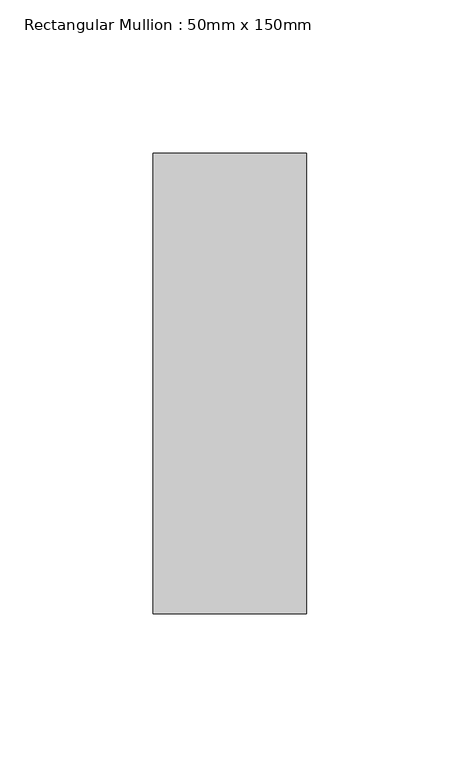
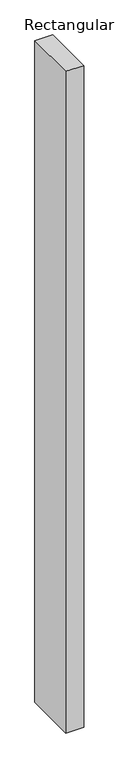
"""IFC4 building model written with IfcOpenShell, lengths in millimetres: member geometry, Rectangular Mullion : 50mm x 150mm."""

from ifc_helpers import new_model, si_unit, frame, origin, place, context, project, spatial, polyline, outline, extrude, source, transform, mapped, element, save


def rectangular_mullion_50mm_x_150mm_e98ddd16(model_context):
    return source(origin(), model_context, "Body", "SweptSolid", [
        extrude(outline(polyline([(25.0, 75.0), (25.0, -75.0), (-25.0, -75.0), (-25.0, 75.0), (25.0, 75.0)])), frame((0.0, 0.0, -1961.6666667), z_axis=(0.0, 0.0, 1.0), x_axis=(1.0, 0.0, 0.0)), (0.0, 0.0, 1.0), 1961.6666667),
    ])


if __name__ == "__main__":
    model = new_model("IFC4")
    model_context = context("Model", 3, world=origin())
    ifc_project = project(units=[si_unit("LENGTHUNIT", "METRE", prefix="MILLI")], contexts=[model_context])
    site = spatial("IfcSite", under=ifc_project)
    building = spatial("IfcBuilding", under=site)
    placement = place(None, origin())
    rectangular_mullion_50mm_x_150mm_shape = rectangular_mullion_50mm_x_150mm_e98ddd16(model_context)
    element("IfcMember", 1, ObjectType="Rectangular Mullion : 50mm x 150mm", at=placement, inside=building, context=model_context, shape_type="MappedRepresentation", body=[
        mapped(rectangular_mullion_50mm_x_150mm_shape, transform((0.0, 0.0, 0.0), x_axis=(1.0, 0.0, 0.0), y_axis=(0.0, 1.0, 0.0), z_axis=(0.0, 0.0, 1.0))),
    ])
    save(model, "model.ifc")
